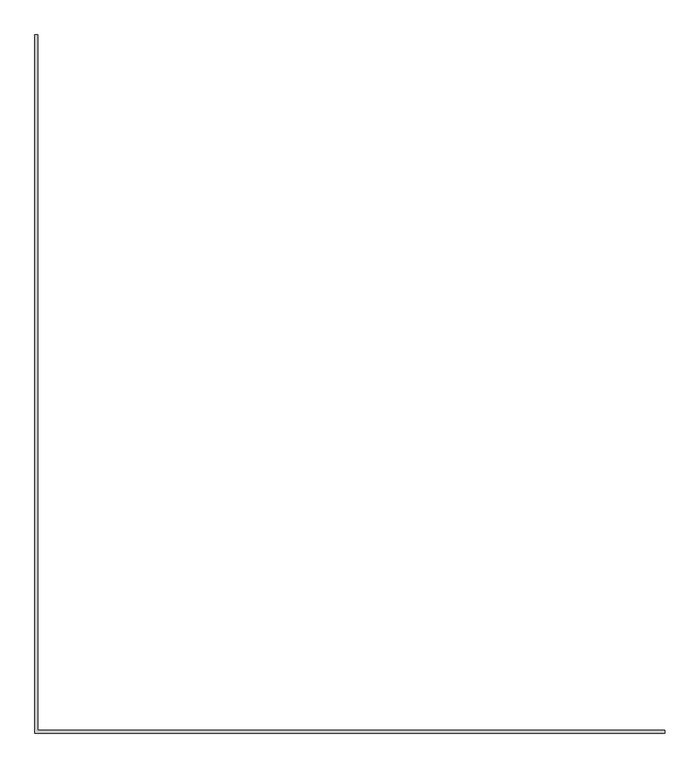
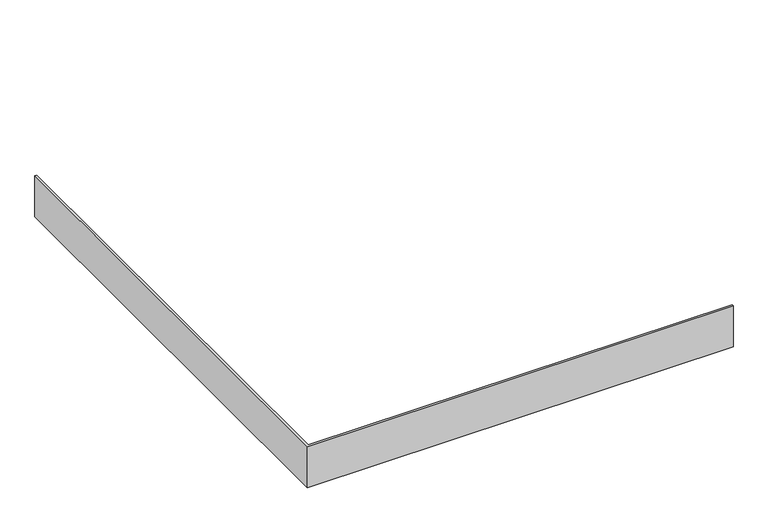
"""IFC4 building model written with IfcOpenShell, lengths in millimetres: proxy geometry."""

from ifc_helpers import new_model, si_unit, frame, origin, place, context, project, spatial, polyline, outline, extrude, source, transform, mapped, element, save


def generic_models_11b42ecd(model_context):
    return source(origin(), model_context, "Body", "SweptSolid", [
        extrude(outline(polyline([(-9509.2323603, 2697.4571767), (-9509.2323603, 2691.1071767), (-11001.3776708, 2691.1071767), (-11001.3776708, 4345.4285443), (-10995.0276708, 4345.4285443), (-10995.0276708, 2697.4571767), (-9509.2323603, 2697.4571767)])), frame((0.0, 0.0, 762.3072881), z_axis=(0.0, 0.0, 1.0), x_axis=(1.0, 0.0, 0.0)), (0.0, 0.0, 1.0), 152.0927119),
    ])


if __name__ == "__main__":
    model = new_model("IFC4")
    model_context = context("Model", 3, world=origin())
    ifc_project = project(units=[si_unit("LENGTHUNIT", "METRE", prefix="MILLI")], contexts=[model_context])
    site = spatial("IfcSite", under=ifc_project)
    building = spatial("IfcBuilding", under=site)
    placement = place(None, origin())
    generic_models_shape = generic_models_11b42ecd(model_context)
    element("IfcBuildingElementProxy", 1, Name="Generic Models", at=placement, inside=building, context=model_context, shape_type="MappedRepresentation", body=[
        mapped(generic_models_shape, transform((0.0, 0.0, 0.0), x_axis=(1.0, 0.0, 0.0), y_axis=(0.0, 1.0, 0.0), z_axis=(0.0, 0.0, 1.0))),
    ])
    save(model, "model.ifc")
